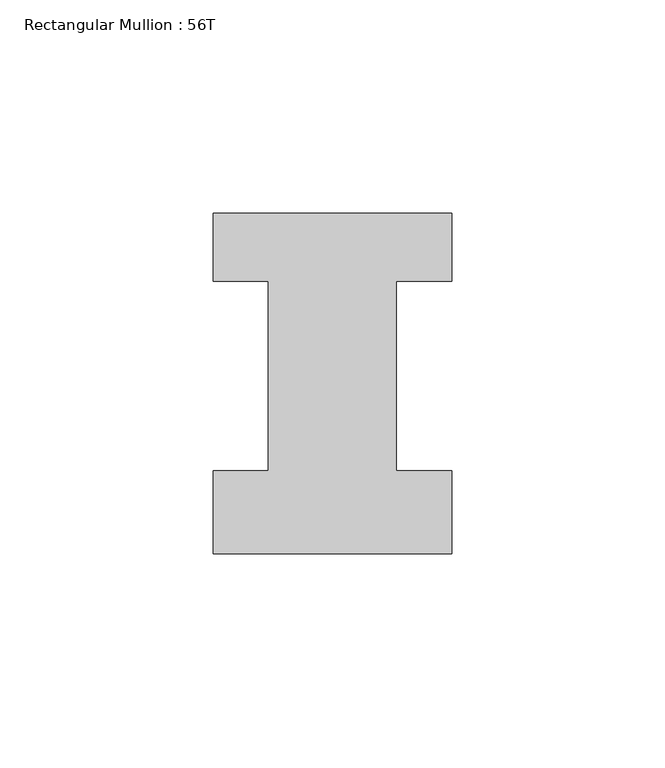
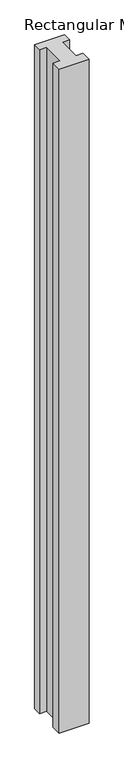
"""IFC4 building model written with IfcOpenShell, lengths in millimetres: member geometry, Rectangular Mullion : 56T."""

from ifc_helpers import new_model, si_unit, frame, origin, place, context, project, spatial, polyline, outline, extrude, source, transform, mapped, element, save


def rectangular_mullion_56t_94352d10(model_context):
    return source(origin(), model_context, "Body", "SweptSolid", [
        extrude(outline(polyline([(28.0, -20.0), (-28.0, -20.0), (-28.0, -0.5), (-15.0, -0.5), (-15.0, 44.0), (-28.0, 44.0), (-28.0, 60.0), (28.0, 60.0), (28.0, 44.0), (15.0, 44.0), (15.0, -0.5), (28.0, -0.5), (28.0, -20.0)])), frame((0.0, 0.0, -1322.465707), z_axis=(0.0, 0.0, 1.0), x_axis=(1.0, 0.0, 0.0)), (0.0, 0.0, 1.0), 1322.465707),
    ])


if __name__ == "__main__":
    model = new_model("IFC4")
    model_context = context("Model", 3, world=origin())
    ifc_project = project(units=[si_unit("LENGTHUNIT", "METRE", prefix="MILLI")], contexts=[model_context])
    site = spatial("IfcSite", under=ifc_project)
    building = spatial("IfcBuilding", under=site)
    placement = place(None, origin())
    rectangular_mullion_56t_shape = rectangular_mullion_56t_94352d10(model_context)
    element("IfcMember", 1, ObjectType="Rectangular Mullion : 56T", at=placement, inside=building, context=model_context, shape_type="MappedRepresentation", body=[
        mapped(rectangular_mullion_56t_shape, transform((0.0, 0.0, 0.0), x_axis=(1.0, 0.0, 0.0), y_axis=(0.0, 1.0, 0.0), z_axis=(0.0, 0.0, 1.0))),
    ])
    save(model, "model.ifc")
